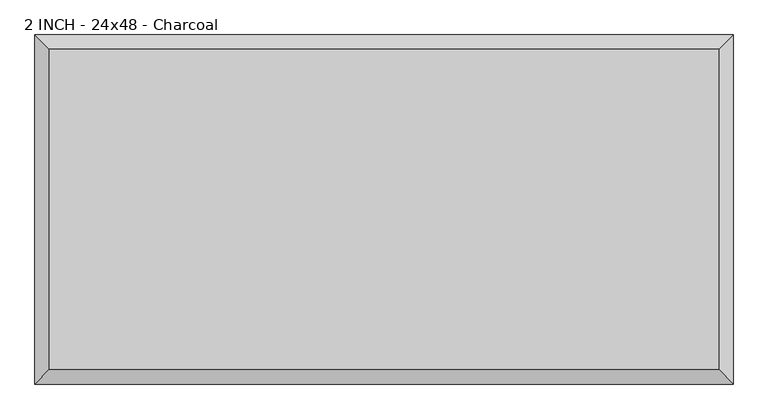
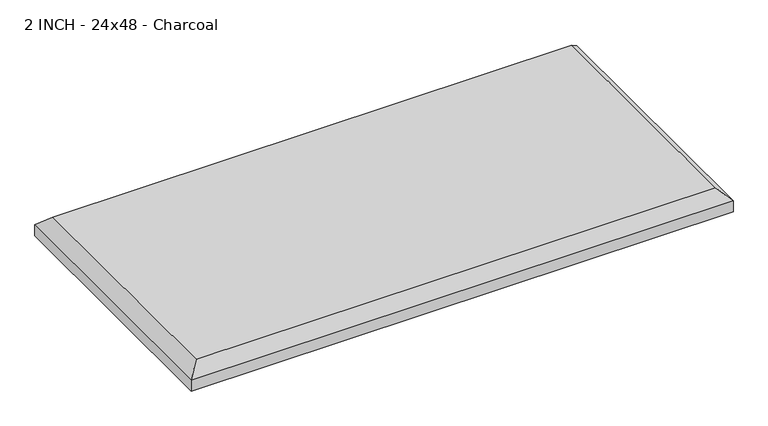
"""IFC4 building model written with IfcOpenShell, lengths in millimetres: proxy geometry, 2 INCH - 24x48 - Charcoal."""

import ifcopenshell
import ifcopenshell.guid

model = None  # the IFC model being written
_history = None  # IfcOwnerHistory: only IFC2X3 demands one
_inside = {}  # id of a spatial element -> (the spatial element, [elements in it])
_under = {}  # id of a project, library or spatial element -> (it, [spatial elements below it])
_declared = {}  # id of a project -> (the project, [libraries it declares])
_typed = {}  # id of a type object -> (the type object, [elements of that type])
_made_of = {}  # id of a material, layer set ... -> (it, [elements and type objects made of it])


def new_model(schema):
    """Start an empty IFC model of exactly this schema.

    Asked for "IFC4X3", IfcOpenShell would pick the latest addendum, in which some entities
    have other attributes; the version numbers below select the first issue.
    IFC2X3 requires an IfcOwnerHistory on every rooted entity: one is made here for all.
    """
    global model, _history
    if schema == "IFC4X3":
        model = ifcopenshell.file(schema_version=(4, 3, 0, 0))
    else:
        model = ifcopenshell.file(schema=schema)
    _inside.clear()
    _under.clear()
    _declared.clear()
    _typed.clear()
    _made_of.clear()
    _history = None
    if model.schema == "IFC2X3":
        org = make("IfcOrganization", Name="unknown")
        user = make(
            "IfcPersonAndOrganization",
            ThePerson=make("IfcPerson", FamilyName="unknown"),
            TheOrganization=org,
        )
        app = make(
            "IfcApplication",
            ApplicationDeveloper=org,
            Version="unknown",
            ApplicationFullName="unknown",
            ApplicationIdentifier="unknown",
        )
        _history = make(
            "IfcOwnerHistory",
            OwningUser=user,
            OwningApplication=app,
            ChangeAction="ADDED",
            CreationDate=0,
        )
    return model


def make(cls, **values):
    """One entity of the class cls with the attributes given. An attribute that is None is left unset."""
    return model.create_entity(
        cls, **{name: value for name, value in values.items() if value is not None}
    )


def rooted(cls, **values):
    """An entity with a GlobalId (a new one), such as an element, a storey or a relation."""
    return make(cls, GlobalId=ifcopenshell.guid.new(), OwnerHistory=_history, **values)


def si_unit(unit_type, name, prefix=None):
    """IfcSIUnit, for example si_unit("LENGTHUNIT", "METRE", prefix="MILLI")."""
    return make("IfcSIUnit", UnitType=unit_type, Prefix=prefix, Name=name)


def assignment(units):
    """IfcUnitAssignment: the units of a project."""
    return None if units is None else make("IfcUnitAssignment", Units=units)


def point(xyz):
    """IfcCartesianPoint."""
    return None if xyz is None else make("IfcCartesianPoint", Coordinates=xyz)


def direction(xyz):
    """IfcDirection."""
    return None if xyz is None else make("IfcDirection", DirectionRatios=xyz)


def frame(location, z_axis=None, x_axis=None):
    """IfcAxis2Placement3D, a coordinate frame: its origin and axes. An axis left out is left unset."""
    return make(
        "IfcAxis2Placement3D",
        Location=point(location),
        Axis=direction(z_axis),
        RefDirection=direction(x_axis),
    )


def origin():
    """The frame at (0, 0, 0) with its axes left unset."""
    return frame((0.0, 0.0, 0.0))


def place(relative_to, where):
    """IfcLocalPlacement: puts the frame where relative to a parent placement (None: the world)."""
    return make(
        "IfcLocalPlacement", PlacementRelTo=relative_to, RelativePlacement=where
    )


def context(
    kind, dimensions, precision=None, world=None, true_north=None, identifier=None
):
    """IfcGeometricRepresentationContext, for example the 3D "Model" context."""
    return make(
        "IfcGeometricRepresentationContext",
        ContextIdentifier=identifier,
        ContextType=kind,
        CoordinateSpaceDimension=dimensions,
        Precision=precision,
        WorldCoordinateSystem=world,
        TrueNorth=true_north,
    )


def project(units=None, contexts=None):
    """IfcProject with its units and contexts."""
    return rooted(
        "IfcProject",
        Name="project",
        RepresentationContexts=contexts,
        UnitsInContext=assignment(units),
    )


def spatial(cls, under=None, at=None, **own):
    """A site, building, storey or space (cls), placed at a placement, below another one or the project."""
    s = rooted(cls, ObjectPlacement=at, **own)
    if under is not None:
        _under.setdefault(under.id(), (under, []))[1].append(s)
    return s


def faces_of(points, faces, orient=None, outer=None):
    """IfcFace entities. A face is a list of loops; a loop is a list of indices into points, from 0.

    orient and outer hold one flag for each loop. By default every Orientation is true, the
    first loop of a face is its IfcFaceOuterBound and the others are IfcFaceBound.
    """
    made = []
    for i, loops in enumerate(faces):
        bounds = []
        for j, loop in enumerate(loops):
            is_outer = j == 0 if outer is None else outer[i][j]
            bounds.append(
                make(
                    "IfcFaceOuterBound" if is_outer else "IfcFaceBound",
                    Bound=make("IfcPolyLoop", Polygon=[points[k] for k in loop]),
                    Orientation=True if orient is None else orient[i][j],
                )
            )
        made.append(make("IfcFace", Bounds=bounds))
    return made


def faceted_brep(points, faces, orient=None, outer=None, voids=None):
    """IfcFacetedBrep: a solid bounded by flat faces; with voids (closed shells), ...WithVoids."""
    shared = [point(p) for p in points]
    hull = make("IfcClosedShell", CfsFaces=faces_of(shared, faces, orient, outer))
    if voids is None:
        return make("IfcFacetedBrep", Outer=hull)
    return make(
        "IfcFacetedBrepWithVoids",
        Outer=hull,
        Voids=[
            make(cls, CfsFaces=faces_of(shared, fs, o, b)) for cls, fs, o, b in voids
        ],
    )


def shape(context_of_items, identifier, shape_type, items):
    """IfcShapeRepresentation: the items that make up one representation, for example the "Body"."""
    return make(
        "IfcShapeRepresentation",
        ContextOfItems=context_of_items,
        RepresentationIdentifier=identifier,
        RepresentationType=shape_type,
        Items=items,
    )


def source(mapping_origin, context_of_items, identifier, shape_type, items):
    """IfcRepresentationMap: a shape defined once, which mapped items show again and again."""
    return make(
        "IfcRepresentationMap",
        MappingOrigin=mapping_origin,
        MappedRepresentation=shape(context_of_items, identifier, shape_type, items),
    )


def transform(
    local_origin,
    x_axis=None,
    y_axis=None,
    z_axis=None,
    scale=None,
    scale2=None,
    scale3=None,
    uniform=True,
):
    """IfcCartesianTransformationOperator3D, or its non-uniform kind. x_axis, y_axis, z_axis: its Axis1, 2, 3."""
    if uniform:
        return make(
            "IfcCartesianTransformationOperator3D",
            Axis1=direction(x_axis),
            Axis2=direction(y_axis),
            LocalOrigin=point(local_origin),
            Scale=scale,
            Axis3=direction(z_axis),
        )
    return make(
        "IfcCartesianTransformationOperator3DnonUniform",
        Axis1=direction(x_axis),
        Axis2=direction(y_axis),
        LocalOrigin=point(local_origin),
        Scale=scale,
        Axis3=direction(z_axis),
        Scale2=scale2,
        Scale3=scale3,
    )


def mapped(mapping_source, mapping_target):
    """IfcMappedItem: shows the shape of a source again, moved by a transform."""
    return make(
        "IfcMappedItem", MappingSource=mapping_source, MappingTarget=mapping_target
    )


def made_of(thing, what):
    """Note that an element or type object is made of a material, layer set ...; save() writes the relation."""
    if what is not None:
        _made_of.setdefault(what.id(), (what, []))[1].append(thing)
    return thing


def element(
    cls,
    number,
    at=None,
    inside=None,
    cuts=None,
    type_object=None,
    material=None,
    context=None,
    identifier="Body",
    shape_type=None,
    held_by="IfcProductDefinitionShape",
    body=None,
    shapes=None,
    **own,
):
    """One element of the class cls, such as IfcWall. Its Tag is "e" and its number.

    at: its placement. inside: the storey or other place that contains it. cuts: it is an
    opening in that element (IfcRelVoidsElement). A single representation is given by context,
    identifier, shape_type and body (its items); several are given by shapes. held_by: the class
    of the entity that holds the representations. save() writes the other relations.
    """
    e = rooted(cls, Tag="e%d" % number, ObjectPlacement=at, **own)
    if body is not None:
        shapes = [shape(context, identifier, shape_type, body)]
    if shapes is not None:
        e.Representation = make(held_by, Representations=shapes)
    if inside is not None:
        _inside.setdefault(inside.id(), (inside, []))[1].append(e)
    if cuts is not None:
        rooted(
            "IfcRelVoidsElement", RelatingBuildingElement=cuts, RelatedOpeningElement=e
        )
    if type_object is not None:
        _typed.setdefault(type_object.id(), (type_object, []))[1].append(e)
    return made_of(e, material)


def aggregate(whole, parts):
    """IfcRelAggregates: a whole, such as a stair, and the parts it consists of."""
    return rooted("IfcRelAggregates", RelatingObject=whole, RelatedObjects=parts)


def save(model, path):
    """Write the relations noted so far, then the file.

    IfcRelAggregates (storeys below a building ...), IfcRelContainedInSpatialStructure (elements
    in a storey), IfcRelDefinesByType, IfcRelAssociatesMaterial and IfcRelDeclares: one each for
    every whole, place, type object, material and project.
    """
    for whole, parts in _under.values():
        aggregate(whole, parts)
    for where, things in _inside.values():
        rooted(
            "IfcRelContainedInSpatialStructure",
            RelatedElements=things,
            RelatingStructure=where,
        )
    for kind, things in _typed.values():
        rooted("IfcRelDefinesByType", RelatedObjects=things, RelatingType=kind)
    for what, things in _made_of.values():
        rooted("IfcRelAssociatesMaterial", RelatedObjects=things, RelatingMaterial=what)
    for by, libraries in _declared.values():
        rooted("IfcRelDeclares", RelatingContext=by, RelatedDefinitions=libraries)
    model.write(path)


def proxy_2_inch_24x48_charcoal_e111da22(model_context):
    return source(origin(), model_context, "Body", "Brep", [
        faceted_brep([(584.2, 279.4, 50.8), (-584.2, 279.4, 50.8), (-584.2, -279.4, 50.8), (584.2, -279.4, 50.8), (-609.6, 304.8, 0.0), (609.6, 304.8, 0.0), (609.6, -304.8, 0.0), (-609.6, -304.8, 0.0), (-609.6, -304.8, 25.4), (-609.6, 304.8, 25.4), (609.6, -304.8, 25.4), (609.6, 304.8, 25.4)], [[[0, 1, 2, 3]], [[4, 5, 6, 7]], [[4, 7, 8, 9]], [[7, 6, 10, 8]], [[6, 5, 11, 10]], [[5, 4, 9, 11]], [[9, 1, 0, 11]], [[1, 9, 8, 2]], [[2, 8, 10, 3]], [[11, 0, 3, 10]]]),
    ])


if __name__ == "__main__":
    model = new_model("IFC4")
    model_context = context("Model", 3, world=origin())
    ifc_project = project(units=[si_unit("LENGTHUNIT", "METRE", prefix="MILLI")], contexts=[model_context])
    site = spatial("IfcSite", under=ifc_project)
    building = spatial("IfcBuilding", under=site)
    placement = place(None, origin())
    proxy_2_inch_24x48_charcoal_shape = proxy_2_inch_24x48_charcoal_e111da22(model_context)
    element("IfcBuildingElementProxy", 1, Name="2 INCH - 24x48 - Charcoal", ObjectType="2 INCH - 24x48 - Charcoal", at=placement, inside=building, context=model_context, shape_type="MappedRepresentation", body=[
        mapped(proxy_2_inch_24x48_charcoal_shape, transform((0.0, 0.0, 0.0), x_axis=(1.0, 0.0, 0.0), y_axis=(0.0, 1.0, 0.0), z_axis=(0.0, 0.0, 1.0))),
    ])
    save(model, "model.ifc")
